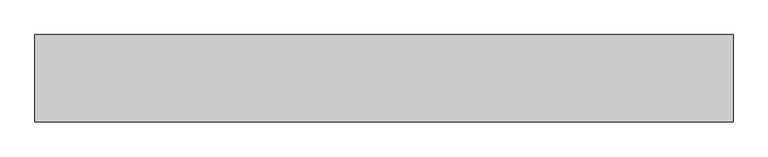
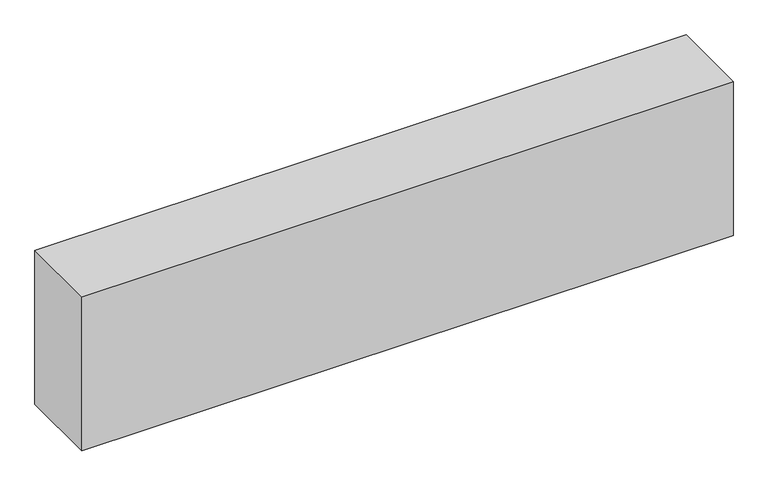
"""IFC4 building model written with IfcOpenShell, lengths in millimetres: beam geometry."""

from ifc_helpers import new_model, si_unit, origin, origin_with_axes, place, context, project, spatial, polyline, outline, extrude, source, transform, mapped, element, save


def beam_1af6ef98(model_context):
    return source(origin(), model_context, "Body", "SweptSolid", [
        extrude(outline(polyline([(600.0, 75.0), (600.0, -75.0), (-600.0, -75.0), (-600.0, 75.0), (600.0, 75.0)])), origin_with_axes(), (0.0, 0.0, 1.0), 300.0),
    ])


if __name__ == "__main__":
    model = new_model("IFC4")
    model_context = context("Model", 3, world=origin())
    ifc_project = project(units=[si_unit("LENGTHUNIT", "METRE", prefix="MILLI")], contexts=[model_context])
    site = spatial("IfcSite", under=ifc_project)
    building = spatial("IfcBuilding", under=site)
    placement = place(None, origin())
    beam_shape = beam_1af6ef98(model_context)
    element("IfcBeam", 1, at=placement, inside=building, context=model_context, shape_type="MappedRepresentation", body=[
        mapped(beam_shape, transform((0.0, 0.0, 0.0), x_axis=(1.0, 0.0, 0.0), y_axis=(0.0, 1.0, 0.0), z_axis=(0.0, 0.0, 1.0))),
    ])
    save(model, "model.ifc")
